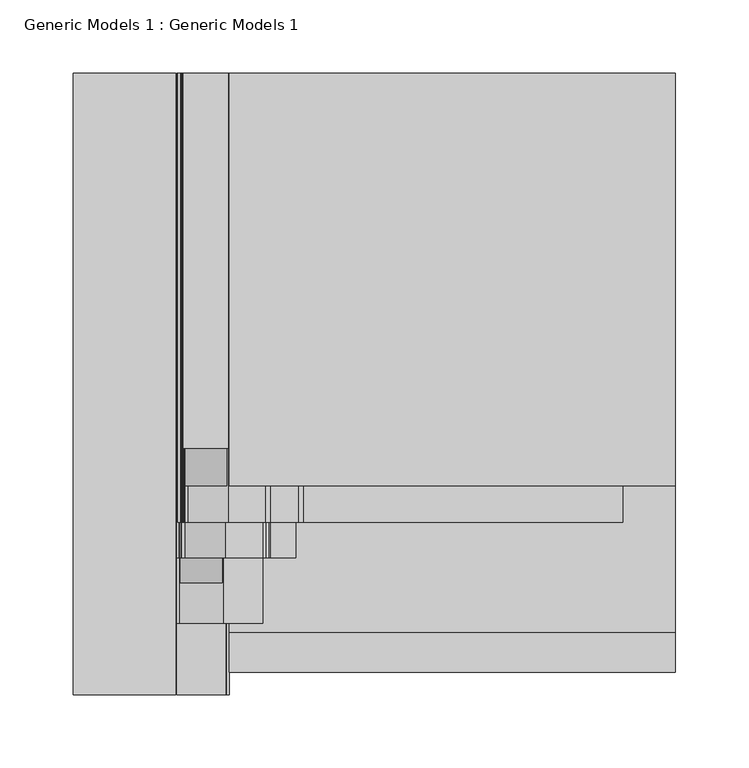
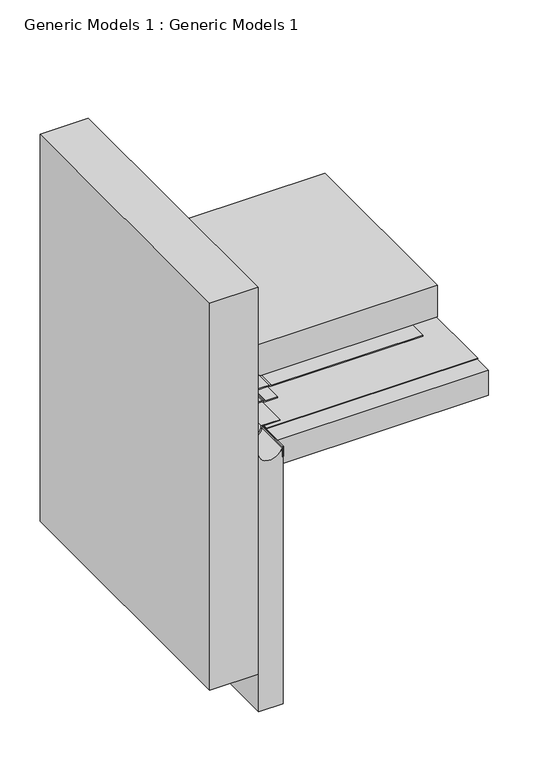
"""IFC4 building model written with IfcOpenShell, lengths in millimetres: proxy geometry, Generic Models 1 : Generic Models 1."""

from ifc_helpers import new_model, si_unit, point, frame, frame_2d, origin, place, context, project, spatial, polyline, circle_curve, trimmed, segment, composite_curve, outline, extrude, source, transform, mapped, element, save


def generic_models_1_generic_models_1_00455760(model_context):
    return source(origin(), model_context, "Body", "SweptSolid", [
        extrude(outline(composite_curve([segment(polyline([(402.8254876, 79.5734375), (402.8254876, 80.3671875), (418.6796911, 80.3671875), (418.6796911, 49.624486), (415.9565143, 49.624486), (412.400356, 51.2827498), (405.661575, 51.2827498)]), True, "CONTINUOUS"), segment(trimmed(circle_curve(frame_2d((402.8254876, 65.2859375)), 14.2875), [point((405.661575, 51.2827498))], [point((402.8254876, 79.5734375))], True, "CARTESIAN"), True, "CONTINUOUS")], self_intersect=False)), frame((0.0, 137.775953, 0.0), z_axis=(0.0, 1.0, 0.0), x_axis=(0.0, 0.0, 1.0)), (0.0, 0.0, 1.0), 256.070986),
        extrude(outline(composite_curve([segment(trimmed(circle_curve(frame_2d((402.8254876, 65.2859375)), 14.2875), [point((402.8254876, 50.9984375))], [point((402.8254876, 79.5734375))], False, "CARTESIAN"), True, "CONTINUOUS"), segment(trimmed(circle_curve(frame_2d((402.8254876, 65.2859375)), 14.2875), [point((402.8254876, 79.5734375))], [point((402.8254876, 50.9984375))], False, "CARTESIAN"), True, "CONTINUOUS")], self_intersect=False)), frame((0.0, 112.3220187, 0.0), z_axis=(0.0, 1.0, 0.0), x_axis=(0.0, 0.0, 1.0)), (0.0, 0.0, 1.0), 281.5249202),
        extrude(outline(polyline([(373.4698839, 105.6548507), (371.8560914, 109.11564), (371.8560914, 128.0757706), (370.2422988, 131.5365599), (370.2422988, 385.7625), (418.6796911, 385.7625), (418.6796911, 80.9625), (373.4698839, 80.9625), (373.4698839, 105.6548507)])), frame((0.0, 112.3220187, 0.0), z_axis=(0.0, 1.0, 0.0), x_axis=(0.0, 0.0, 1.0)), (0.0, 0.0, 1.0), 281.5249202),
        extrude(outline(polyline([(80.9625, 393.8469389), (385.7625, 393.8469389), (385.7625, -15.1880793), (80.9625, -15.1880793), (80.9625, 393.8469389)])), frame((0.0, 0.0, 328.1998414), z_axis=(0.0, 0.0, 1.0), x_axis=(1.0, 0.0, 0.0)), (0.0, 0.0, 1.0), 38.1),
        extrude(outline(composite_curve([segment(polyline([(371.8823839, 79.2100655), (371.8823839, 105.3029104), (370.2685914, 108.7636997), (370.2685914, 127.7238303), (368.6547988, 131.1846196), (368.6547988, 349.9692558), (370.2422988, 349.9692558), (370.2422988, 131.5365599), (371.8560914, 128.0757706), (371.8560914, 109.11564), (373.4698839, 105.6548507), (373.4698839, 80.5416976)]), True, "CONTINUOUS"), segment(trimmed(circle_curve(frame_2d((369.4879876, 61.9125)), 19.05), [point((373.4698839, 80.5416976))], [point((386.3876302, 53.1201976))], False, "CARTESIAN"), True, "CONTINUOUS"), segment(trimmed(circle_curve(frame_2d((387.7959337, 52.3875057)), 1.5875), [point((386.3876302, 53.1201976))], [point((387.7959337, 50.8000057))], True, "CARTESIAN"), True, "CONTINUOUS"), segment(polyline([(387.7959337, 50.8000057), (410.6340629, 50.8000057)]), True, "CONTINUOUS"), segment(trimmed(circle_curve(frame_2d((410.6340629, 43.6562557)), 7.14375), [point((410.6340629, 50.8000057))], [point((413.6531421, 50.130692))], False, "CARTESIAN"), True, "CONTINUOUS"), segment(polyline([(413.6531421, 50.130692), (415.040651, 49.4836859)]), True, "CONTINUOUS"), segment(trimmed(circle_curve(frame_2d((416.382464, 52.3612132)), 3.175), [point((415.040651, 49.4836859))], [point((416.382464, 49.1862132))], True, "CARTESIAN"), True, "CONTINUOUS"), segment(polyline([(416.382464, 49.1862132), (433.0549827, 49.1862132)]), True, "CONTINUOUS"), segment(trimmed(circle_curve(frame_2d((433.0549827, 42.0424632)), 7.14375), [point((433.0549827, 49.1862132))], [point((436.074062, 48.5168994))], False, "CARTESIAN"), True, "CONTINUOUS"), segment(polyline([(436.074062, 48.5168994), (437.4615709, 47.8698934)]), True, "CONTINUOUS"), segment(trimmed(circle_curve(frame_2d((438.8033839, 50.7474206)), 3.175), [point((437.4615709, 47.8698934))], [point((438.8033839, 47.5724206))], True, "CARTESIAN"), True, "CONTINUOUS"), segment(polyline([(438.8033839, 47.5724206), (583.3108186, 47.5724206), (583.3108186, 45.9849206), (438.8033839, 45.9849206)]), True, "CONTINUOUS"), segment(trimmed(circle_curve(frame_2d((438.8033839, 50.7474206)), 4.7625), [point((438.8033839, 45.9849206))], [point((436.7906644, 46.4311298))], False, "CARTESIAN"), True, "CONTINUOUS"), segment(polyline([(436.7906644, 46.4311298), (435.4031555, 47.0781358)]), True, "CONTINUOUS"), segment(trimmed(circle_curve(frame_2d((433.0549827, 42.0424632)), 5.55625), [point((435.4031555, 47.0781358))], [point((433.0549827, 47.5987132))], True, "CARTESIAN"), True, "CONTINUOUS"), segment(polyline([(433.0549827, 47.5987132), (416.382464, 47.5987132)]), True, "CONTINUOUS"), segment(trimmed(circle_curve(frame_2d((416.382464, 52.3612132)), 4.7625), [point((416.382464, 47.5987132))], [point((414.3697445, 48.0449223))], False, "CARTESIAN"), True, "CONTINUOUS"), segment(polyline([(414.3697445, 48.0449223), (412.9822356, 48.6919284)]), True, "CONTINUOUS"), segment(trimmed(circle_curve(frame_2d((410.6340629, 43.6562557)), 5.55625), [point((412.9822356, 48.6919284))], [point((410.6340629, 49.2125057))], True, "CARTESIAN"), True, "CONTINUOUS"), segment(polyline([(410.6340629, 49.2125057), (387.7959337, 49.2125057)]), True, "CONTINUOUS"), segment(trimmed(circle_curve(frame_2d((387.7959337, 52.3875057)), 3.175), [point((387.7959337, 49.2125057))], [point((384.9793267, 53.8528895))], False, "CARTESIAN"), True, "CONTINUOUS"), segment(trimmed(circle_curve(frame_2d((369.4879876, 61.9125)), 17.4625), [point((384.9793267, 53.8528895))], [point((371.8823839, 79.2100655))], True, "CARTESIAN"), True, "CONTINUOUS")], self_intersect=False)), frame((0.0, 87.3730793, 0.0), z_axis=(0.0, 1.0, 0.0), x_axis=(0.0, 0.0, 1.0)), (0.0, 0.0, 1.0), 306.4738597),
        extrude(outline(composite_curve([segment(polyline([(371.0886339, 104.0711194), (371.0886339, 78.5042196)]), True, "CONTINUOUS"), segment(trimmed(circle_curve(frame_2d((369.4879876, 61.9125)), 16.66875), [point((371.0886339, 78.5042196))], [point((382.1240612, 51.0415813))], False, "CARTESIAN"), True, "CONTINUOUS"), segment(trimmed(circle_curve(frame_2d((383.3274967, 50.0062557)), 1.5875), [point((382.1240612, 51.0415813))], [point((383.3274967, 48.4187557))], True, "CARTESIAN"), True, "CONTINUOUS"), segment(polyline([(383.3274967, 48.4187557), (410.0722591, 48.4187557)]), True, "CONTINUOUS"), segment(trimmed(circle_curve(frame_2d((410.0722591, 43.6562557)), 4.7625), [point((410.0722591, 48.4187557))], [point((412.0849786, 47.9725466))], False, "CARTESIAN"), True, "CONTINUOUS"), segment(polyline([(412.0849786, 47.9725466), (413.9509368, 47.1024359)]), True, "CONTINUOUS"), segment(trimmed(circle_curve(frame_2d((415.2927498, 49.9799632)), 3.175), [point((413.9509368, 47.1024359))], [point((415.2927498, 46.8049632))], True, "CARTESIAN"), True, "CONTINUOUS"), segment(polyline([(415.2927498, 46.8049632), (434.8759878, 46.8049632), (434.8759878, 45.2174632), (415.2927498, 45.2174632)]), True, "CONTINUOUS"), segment(trimmed(circle_curve(frame_2d((415.2927498, 49.9799632)), 4.7625), [point((415.2927498, 45.2174632))], [point((413.2800303, 45.6636723))], False, "CARTESIAN"), True, "CONTINUOUS"), segment(polyline([(413.2800303, 45.6636723), (411.4140721, 46.533783)]), True, "CONTINUOUS"), segment(trimmed(circle_curve(frame_2d((410.0722591, 43.6562557)), 3.175), [point((411.4140721, 46.533783))], [point((410.0722591, 46.8312557))], True, "CARTESIAN"), True, "CONTINUOUS"), segment(polyline([(410.0722591, 46.8312557), (383.3274967, 46.8312557)]), True, "CONTINUOUS"), segment(trimmed(circle_curve(frame_2d((383.3274967, 50.0062557)), 3.175), [point((383.3274967, 46.8312557))], [point((380.9206256, 52.0769069))], False, "CARTESIAN"), True, "CONTINUOUS"), segment(trimmed(circle_curve(frame_2d((369.4879876, 61.9125)), 15.08125), [point((380.9206256, 52.0769069))], [point((369.5011339, 76.9937443))], True, "CARTESIAN"), True, "CONTINUOUS"), segment(polyline([(369.5011339, 76.9937443), (369.5011339, 104.0711194)]), True, "CONTINUOUS"), segment(trimmed(circle_curve(frame_2d((366.3261339, 104.0711194)), 3.175), [point((369.5011339, 104.0711194))], [point((369.2036612, 105.4129324))], True, "CARTESIAN"), True, "CONTINUOUS"), segment(polyline([(369.2036612, 105.4129324), (368.3335505, 107.2788907)]), True, "CONTINUOUS"), segment(trimmed(circle_curve(frame_2d((372.6498414, 109.2916102)), 4.7625), [point((368.3335505, 107.2788907))], [point((367.8873414, 109.2916102))], False, "CARTESIAN"), True, "CONTINUOUS"), segment(polyline([(367.8873414, 109.2916102), (367.8873414, 126.4920393), (369.4748414, 126.4920393), (369.4748414, 109.2916102)]), True, "CONTINUOUS"), segment(trimmed(circle_curve(frame_2d((372.6498414, 109.2916102)), 3.175), [point((369.4748414, 109.2916102))], [point((369.7723141, 107.9497972))], True, "CARTESIAN"), True, "CONTINUOUS"), segment(polyline([(369.7723141, 107.9497972), (370.6424248, 106.0838389)]), True, "CONTINUOUS"), segment(trimmed(circle_curve(frame_2d((366.3261339, 104.0711194)), 4.7625), [point((370.6424248, 106.0838389))], [point((371.0886339, 104.0711194))], False, "CARTESIAN"), True, "CONTINUOUS")], self_intersect=False)), frame((0.0, 62.966143, 0.0), z_axis=(0.0, 1.0, 0.0), x_axis=(0.0, 0.0, 1.0)), (0.0, 0.0, 1.0), 330.8807959),
        extrude(outline(composite_curve([segment(trimmed(circle_curve(frame_2d((369.4879876, 61.9125)), 14.2875), [point((369.4879876, 47.625))], [point((369.4879876, 76.2))], False, "CARTESIAN"), True, "CONTINUOUS"), segment(trimmed(circle_curve(frame_2d((369.4879876, 61.9125)), 14.2875), [point((369.4879876, 76.2))], [point((369.4879876, 47.625))], False, "CARTESIAN"), True, "CONTINUOUS")], self_intersect=False)), frame((0.0, 45.9883001, 0.0), z_axis=(0.0, 1.0, 0.0), x_axis=(0.0, 0.0, 1.0)), (0.0, 0.0, 1.0), 347.8586389),
        extrude(outline(polyline([(79.375, 393.8469389), (80.9625, 393.8469389), (80.9625, -30.4208852), (79.375, -30.4208852), (79.375, 393.8469389)])), frame((0.0, 0.0, 351.2118848), z_axis=(0.0, 0.0, 1.0), x_axis=(1.0, 0.0, 0.0)), (0.0, 0.0, 1.0), 15.0879565),
        extrude(outline(polyline([(80.9625, 393.8469389), (385.7625, 393.8469389), (385.7625, 12.1737536), (80.9625, 12.1737536), (80.9625, 393.8469389)])), frame((0.0, 0.0, 367.0935914), z_axis=(0.0, 0.0, 1.0), x_axis=(1.0, 0.0, 0.0)), (0.0, 0.0, 1.0), 0.79375),
        extrude(outline(composite_curve([segment(polyline([(364.2830208, 45.24375), (-25.7392111, 45.24375), (-25.7392111, 80.16875), (350.4181348, 80.16875), (350.4181348, 78.58125), (364.2830208, 78.58125)]), True, "CONTINUOUS"), segment(trimmed(circle_curve(frame_2d((369.4879876, 61.9125)), 17.4625), [point((364.2830208, 78.58125))], [point((364.2830208, 45.24375))], True, "CARTESIAN"), True, "CONTINUOUS")], self_intersect=False)), frame((0.0, -30.4208852, 0.0), z_axis=(0.0, 1.0, 0.0), x_axis=(0.0, 0.0, 1.0)), (0.0, 0.0, 1.0), 424.2678241),
        extrude(outline(composite_curve([segment(polyline([(367.8873414, 103.98125), (369.4748414, 103.98125), (369.4748414, 76.9937443)]), True, "CONTINUOUS"), segment(trimmed(circle_curve(frame_2d((369.4879876, 61.9125)), 15.08125), [point((369.4748414, 76.9937443))], [point((369.4879876, 46.83125))], True, "CARTESIAN"), True, "CONTINUOUS"), segment(polyline([(369.4879876, 46.83125), (409.2522716, 46.83125), (409.2522716, 45.24375), (369.4879876, 45.24375)]), True, "CONTINUOUS"), segment(trimmed(circle_curve(frame_2d((369.4879876, 61.9125)), 16.66875), [point((369.4879876, 45.24375))], [point((367.8873414, 78.5042196))], False, "CARTESIAN"), True, "CONTINUOUS"), segment(polyline([(367.8873414, 78.5042196), (367.8873414, 103.98125)]), True, "CONTINUOUS")], self_intersect=False)), frame((0.0, 18.3920053, 0.0), z_axis=(0.0, 1.0, 0.0), x_axis=(0.0, 0.0, 1.0)), (0.0, 0.0, 1.0), 375.4549336),
        extrude(outline(polyline([(44.45, -30.4208852), (-25.4, -30.4208852), (-25.4, 393.8469389), (44.45, 393.8469389), (44.45, -30.4208852)])), frame((0.0, 0.0, 31.75), z_axis=(0.0, 0.0, 1.0), x_axis=(1.0, 0.0, 0.0)), (0.0, 0.0, 1.0), 589.9629392),
    ])


if __name__ == "__main__":
    model = new_model("IFC4")
    model_context = context("Model", 3, world=origin())
    ifc_project = project(units=[si_unit("LENGTHUNIT", "METRE", prefix="MILLI")], contexts=[model_context])
    site = spatial("IfcSite", under=ifc_project)
    building = spatial("IfcBuilding", under=site)
    placement = place(None, origin())
    generic_models_1_generic_models_1_shape = generic_models_1_generic_models_1_00455760(model_context)
    element("IfcBuildingElementProxy", 1, Name="Generic Models 1 : Generic Models 1", ObjectType="Generic Models 1 : Generic Models 1", at=placement, inside=building, context=model_context, shape_type="MappedRepresentation", body=[
        mapped(generic_models_1_generic_models_1_shape, transform((0.0, 0.0, 0.0), x_axis=(1.0, 0.0, 0.0), y_axis=(0.0, 1.0, 0.0), z_axis=(0.0, 0.0, 1.0))),
    ])
    save(model, "model.ifc")
